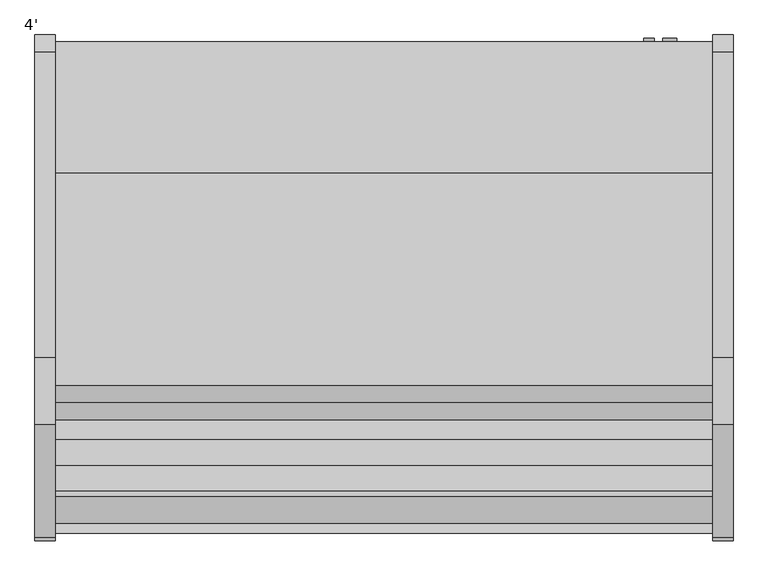
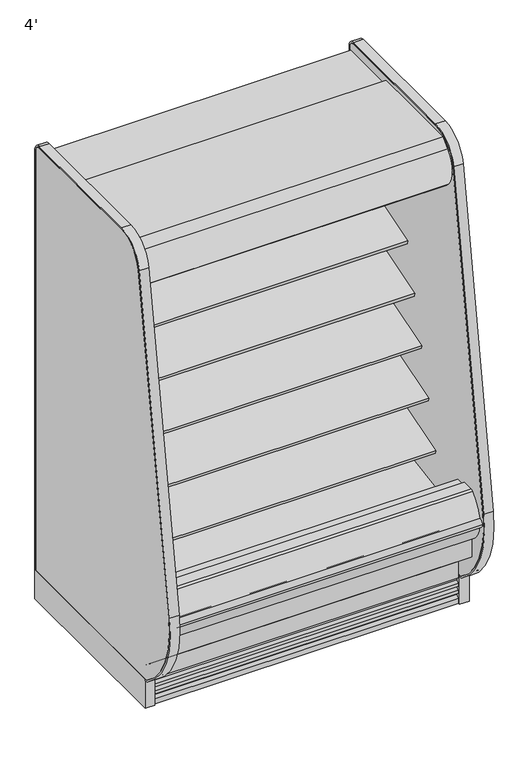
"""IFC4 building model written with IfcOpenShell, lengths in millimetres: proxy geometry, 4'."""

from ifc_helpers import new_model, si_unit, point, frame, frame_2d, origin, origin_with_axes, place, context, project, spatial, polyline, circle_curve, trimmed, segment, composite_curve, outline, extrude, source, transform, mapped, element, save
from ifc_brep_helpers import plane_surface, revolved_surface, advanced_brep


def proxy_4_0a60d884(model_context):
    return source(origin(), model_context, "Body", "SolidModel", [
        extrude(outline(composite_curve([segment(polyline([(-504.9331995, 1231.4784284), (-504.9331995, 1153.1939633), (-518.2051955, 1148.8882479)]), True, "CONTINUOUS"), segment(trimmed(circle_curve(frame_2d((-526.0433303, 1173.0486213)), 25.4), [point((-518.2051955, 1148.8882479))], [point((-535.5495316, 1149.4945954))], False, "CARTESIAN"), True, "CONTINUOUS"), segment(polyline([(-535.5495316, 1149.4945954), (-556.8449295, 1158.0892339)]), True, "CONTINUOUS"), segment(trimmed(circle_curve(frame_2d((-580.6104329, 1099.2041692)), 63.5), [point((-556.8449295, 1158.0892339))], [point((-591.4790956, 1161.7671149))], True, "CARTESIAN"), True, "CONTINUOUS"), segment(polyline([(-591.4790956, 1161.7671149), (-780.783108, 1128.6709714), (-783.2127521, 1131.5259116), (-840.8364756, 1113.9085713), (-844.9951707, 1127.5110502), (-504.9331995, 1231.4784284)]), True, "CONTINUOUS")], self_intersect=False)), frame((0.0, 0.0, 0.0), z_axis=(1.0, 0.0, 0.0), x_axis=(0.0, 1.0, 0.0)), (0.0, 0.0, 1.0), 1219.2),
        extrude(outline(composite_curve([segment(trimmed(circle_curve(frame_2d((-755.1213828, 1754.6817837)), 14.2875), [point((-740.8338828, 1754.6817837))], [point((-769.4088828, 1754.6817837))], False, "CARTESIAN"), True, "CONTINUOUS"), segment(trimmed(circle_curve(frame_2d((-755.1213828, 1754.6817837)), 14.2875), [point((-769.4088828, 1754.6817837))], [point((-740.8338828, 1754.6817837))], False, "CARTESIAN"), True, "CONTINUOUS")], self_intersect=False)), frame((0.0, 0.0, 0.0), z_axis=(1.0, 0.0, 0.0), x_axis=(0.0, 1.0, 0.0)), (0.0, 0.0, 1.0), 1219.2),
        extrude(outline(polyline([(-734.0000368, 1783.4480074), (-734.0000368, 1781.8605074), (-745.9062868, 1781.8605074), (-781.6250368, 1758.0480074), (-781.6250368, 1781.8605074), (-802.2625368, 1781.8605074), (-802.2625368, 1723.2826254), (-798.9859062, 1707.1532905), (-800.5416293, 1706.8372496), (-803.8500368, 1723.1230074), (-803.8500368, 1783.4480074), (-734.0000368, 1783.4480074)])), frame((0.0, 0.0, 0.0), z_axis=(1.0, 0.0, 0.0), x_axis=(0.0, 1.0, 0.0)), (0.0, 0.0, 1.0), 1219.2),
        extrude(outline(composite_curve([segment(polyline([(-645.2072918, 1887.6264001), (-951.9166873, 1887.6264001), (-951.9166873, 1837.4360001), (-910.7889599, 1837.4360001), (-910.7889599, 1751.481792), (-914.7191706, 1751.481792), (-957.9732964, 1778.3902586), (-1045.9679806, 1778.3902586), (-1051.3862085, 1749.0156271), (-1059.481178, 1742.4581239), (-1061.2400107, 1736.6057625), (-1066.37165, 1728.7312858)]), True, "CONTINUOUS"), segment(trimmed(circle_curve(frame_2d((-1071.317344, 1733.5755629)), 6.9229264), [point((-1066.37165, 1728.7312858))], [point((-1076.4850743, 1728.9688858))], False, "CARTESIAN"), True, "CONTINUOUS"), segment(trimmed(circle_curve(frame_2d((-997.6333247, 1799.2598126)), 105.6333886), [point((-1076.4850743, 1728.9688858))], [point((-1070.6777032, 1875.5679482))], False, "CARTESIAN"), True, "CONTINUOUS"), segment(trimmed(circle_curve(frame_2d((-1536.9601915, 2362.0700675)), 673.8721474), [point((-1070.6777032, 1875.5679482))], [point((-1038.8813513, 1908.174551))], True, "CARTESIAN"), True, "CONTINUOUS"), segment(polyline([(-1038.8813513, 1908.174551), (-645.2072918, 1908.174551), (-645.2072918, 1887.6264001)]), True, "CONTINUOUS")], self_intersect=False)), frame((0.0, 0.0, 0.0), z_axis=(1.0, 0.0, 0.0), x_axis=(0.0, 1.0, 0.0)), (0.0, 0.0, 1.0), 1219.2),
        extrude(outline(polyline([(174.853063, -1017.4589273), (481.100863, -1017.4589273), (481.100863, -1115.8839273), (174.853063, -1115.8839273), (174.853063, -1017.4589273)])), frame((0.0, 0.0, 7.2630602), z_axis=(0.0, 0.0, 1.0), x_axis=(1.0, 0.0, 0.0)), (0.0, 0.0, 1.0), 9.6482401),
        extrude(outline(composite_curve([segment(trimmed(circle_curve(frame_2d((1051.8428976, -1007.9339273)), 12.7), [point((1039.1428976, -1007.9339273))], [point((1064.5428976, -1007.9339273))], False, "CARTESIAN"), True, "CONTINUOUS"), segment(trimmed(circle_curve(frame_2d((1051.8428976, -1007.9339273)), 12.7), [point((1064.5428976, -1007.9339273))], [point((1039.1428976, -1007.9339273))], False, "CARTESIAN"), True, "CONTINUOUS")], self_intersect=False)), frame((0.0, 0.0, 71.1788852), z_axis=(0.0, 0.0, 1.0), x_axis=(1.0, 0.0, 0.0)), (0.0, 0.0, 1.0), 58.9961148),
        extrude(outline(composite_curve([segment(trimmed(circle_curve(frame_2d((999.5280532, -1007.9339273)), 9.525), [point((990.0030532, -1007.9339273))], [point((1009.0530532, -1007.9339273))], False, "CARTESIAN"), True, "CONTINUOUS"), segment(trimmed(circle_curve(frame_2d((999.5280532, -1007.9339273)), 9.525), [point((1009.0530532, -1007.9339273))], [point((990.0030532, -1007.9339273))], False, "CARTESIAN"), True, "CONTINUOUS")], self_intersect=False)), frame((0.0, 0.0, 71.1788852), z_axis=(0.0, 0.0, 1.0), x_axis=(1.0, 0.0, 0.0)), (0.0, 0.0, 1.0), 58.9961148),
        extrude(outline(composite_curve([segment(trimmed(circle_curve(frame_2d((609.6, -988.8839273)), 38.1), [point((571.5, -988.8839273))], [point((647.7, -988.8839273))], False, "CARTESIAN"), True, "CONTINUOUS"), segment(trimmed(circle_curve(frame_2d((609.6, -988.8839273)), 38.1), [point((647.7, -988.8839273))], [point((571.5, -988.8839273))], False, "CARTESIAN"), True, "CONTINUOUS")], self_intersect=False)), frame((0.0, 0.0, 71.1788852), z_axis=(0.0, 0.0, 1.0), x_axis=(1.0, 0.0, 0.0)), (0.0, 0.0, 1.0), 58.9961148),
        advanced_brep(
        [(1219.2, -1017.4589273, 130.175), (1219.2, -1087.7580824, 130.175), (1219.2, -1115.8839273, 152.8829537), (1219.2, -1115.8839273, 16.9113003), (1219.2, -1017.4589273, 16.9113003), (0.0, -1017.4589273, 130.175), (0.0, -1017.4589273, 16.9113003), (0.0, -1115.8839273, 16.9113003), (0.0, -1115.8839273, 152.8829537), (0.0, -1087.7580824, 130.175), (1075.4240418, -1017.4589273, 130.175), (975.6259582, -1017.4589273, 130.175), (651.6013021, -1017.4589273, 130.175), (567.5986979, -1017.4589273, 130.175), (567.5986979, -1017.4589273, 16.9113003), (651.6013021, -1017.4589273, 16.9113003), (975.6259582, -1017.4589273, 16.9113003), (1075.4240418, -1017.4589273, 16.9113003)],
        [
            (0, 1),
            (1, 2),
            (2, 3),
            (3, 4),
            (4, 0),
            (5, 6),
            (6, 7),
            (7, 8),
            (8, 9),
            (9, 5),
            (0, 10),
            (10, 11, circle_curve(frame((1025.525, -1007.9339273, 130.175), z_axis=(0.0, 0.0, -1.0), x_axis=(1.0, 0.0, 0.0)), 50.8)),
            (11, 12),
            (12, 13, circle_curve(frame((609.6, -988.8839273, 130.175), z_axis=(0.0, 0.0, -1.0), x_axis=(1.0, 0.0, 0.0)), 50.8)),
            (13, 5),
            (9, 1),
            (8, 2),
            (3, 7),
            (6, 14),
            (14, 15, circle_curve(frame((609.6, -988.8839273, 16.9113003), z_axis=(0.0, 0.0, 1.0), x_axis=(1.0, 0.0, 0.0)), 50.8)),
            (15, 16),
            (16, 17, circle_curve(frame((1025.525, -1007.9339273, 16.9113003), z_axis=(0.0, 0.0, 1.0), x_axis=(1.0, 0.0, 0.0)), 50.8)),
            (17, 4),
            (17, 10),
            (13, 14),
            (15, 12),
            (11, 16),
        ],
        [
            plane_surface(frame((1219.2, -1087.7580824, 130.175), z_axis=(1.0, 0.0, 0.0), x_axis=(0.0, -1.0, 0.0))),
            plane_surface(frame((0.0, -1087.7580824, 130.175), z_axis=(-1.0, 0.0, 0.0), x_axis=(0.0, 1.0, 0.0))),
            plane_surface(frame((1219.2, -1017.4589273, 130.175), z_axis=(0.0, 0.0, 1.0), x_axis=(-1.0, 0.0, 0.0))),
            plane_surface(frame((1219.2, -1087.7580824, 130.175), z_axis=(0.0, 0.628185164263753, 0.7780638787393499), x_axis=(-1.0, 0.0, 0.0))),
            plane_surface(frame((1219.2, -1115.8839273, 16.9113003), z_axis=(0.0, 0.0, -1.0), x_axis=(-1.0, 0.0, 0.0))),
            plane_surface(frame((1219.2, -1017.4589273, 16.9113003), z_axis=(0.0, 1.0, 0.0), x_axis=(-1.0, 0.0, 0.0))),
            revolved_surface(polyline([(660.4, -988.8839273, 130.175), (660.4, -988.8839273, 16.9113003)]), (609.6, -988.8839273, 0.0), (0.0, 0.0, 1.0)),
            revolved_surface(polyline([(1076.325, -1007.9339273, 130.175), (1076.325, -1007.9339273, 16.9113003)]), (1025.525, -1007.9339273, 0.0), (0.0, 0.0, 1.0)),
            plane_surface(frame((1219.2, -1115.8839273, 152.8829537), z_axis=(0.0, -1.0, 0.0), x_axis=(-1.0, 0.0, 0.0))),
        ],
        [
            (0, [[1, 2, 3, 4, 5]]),
            (1, [[6, 7, 8, 9, 10]]),
            (2, [[-1, 11, 12, 13, 14, 15, -10, 16]]),
            (3, [[-2, -16, -9, 17]]),
            (4, [[-4, 18, -7, 19, 20, 21, 22, 23]]),
            (5, [[-5, -23, 24, -11]]),
            (5, [[-6, -15, 25, -19]]),
            (5, [[26, -13, 27, -21]]),
            (6, [[-14, -26, -20, -25]]),
            (7, [[-12, -24, -22, -27]]),
            (8, [[-3, -17, -8, -18]]),
        ],
    ),
        advanced_brep(
        [(1219.2, -401.5089273, 0.0), (1219.2, -401.5089273, 130.175), (1219.2, -1017.4589273, 130.175), (1219.2, -1017.4589273, 0.0), (1219.2, -973.8344273, 0.0), (1219.2, -973.8344273, 74.8810382), (1219.2, -446.7209273, 74.8810382), (1219.2, -446.7209273, 0.0), (0.0, -401.5089273, 0.0), (0.0, -446.7209273, 0.0), (0.0, -446.7209273, 74.8810382), (0.0, -973.8344273, 74.8810382), (0.0, -973.8344273, 0.0), (0.0, -1017.4589273, 0.0), (0.0, -1017.4589273, 130.175), (0.0, -401.5089273, 130.175), (567.5986979, -1017.4589273, 130.175), (558.8, -988.8839273, 130.175), (660.4, -988.8839273, 130.175), (651.6013021, -1017.4589273, 130.175), (975.6259582, -1017.4589273, 130.175), (974.725, -1007.9339273, 130.175), (1076.325, -1007.9339273, 130.175), (1075.4240418, -1017.4589273, 130.175), (1075.4240418, -1017.4589273, 0.0), (567.5986979, -1017.4589273, 0.0), (651.6013021, -1017.4589273, 0.0), (975.6259582, -1017.4589273, 0.0), (1076.325, -1007.9339273, 0.0), (1063.1795362, -973.8344273, 0.0), (561.08039, -973.8344273, 0.0), (558.8, -988.8839273, 0.0), (660.4, -988.8839273, 0.0), (658.11961, -973.8344273, 0.0), (987.8704638, -973.8344273, 0.0), (974.725, -1007.9339273, 0.0), (1063.1795362, -973.8344273, 74.8810382), (561.08039, -973.8344273, 74.8810382), (658.11961, -973.8344273, 74.8810382), (987.8704638, -973.8344273, 74.8810382)],
        [
            (0, 1),
            (1, 2),
            (2, 3),
            (3, 4),
            (4, 5),
            (5, 6),
            (6, 7),
            (7, 0),
            (8, 9),
            (9, 10),
            (10, 11),
            (11, 12),
            (12, 13),
            (13, 14),
            (14, 15),
            (15, 8),
            (0, 8),
            (15, 1),
            (14, 16),
            (16, 17, circle_curve(frame((609.6, -988.8839273, 130.175), z_axis=(0.0, 0.0, -1.0), x_axis=(1.0, 0.0, 0.0)), 50.8)),
            (17, 18, circle_curve(frame((609.6, -988.8839273, 130.175), z_axis=(0.0, 0.0, -1.0), x_axis=(1.0, 0.0, 0.0)), 50.8)),
            (18, 19, circle_curve(frame((609.6, -988.8839273, 130.175), z_axis=(0.0, 0.0, -1.0), x_axis=(1.0, 0.0, 0.0)), 50.8)),
            (19, 20),
            (20, 21, circle_curve(frame((1025.525, -1007.9339273, 130.175), z_axis=(0.0, 0.0, -1.0), x_axis=(1.0, 0.0, 0.0)), 50.8)),
            (21, 22, circle_curve(frame((1025.525, -1007.9339273, 130.175), z_axis=(0.0, 0.0, -1.0), x_axis=(1.0, 0.0, 0.0)), 50.8)),
            (22, 23, circle_curve(frame((1025.525, -1007.9339273, 130.175), z_axis=(0.0, 0.0, -1.0), x_axis=(1.0, 0.0, 0.0)), 50.8)),
            (23, 2),
            (23, 24),
            (24, 3),
            (13, 25),
            (25, 16),
            (19, 26),
            (26, 27),
            (27, 20),
            (24, 28, circle_curve(frame((1025.525, -1007.9339273, 0.0), z_axis=(0.0, 0.0, 1.0), x_axis=(1.0, 0.0, 0.0)), 50.8)),
            (28, 29, circle_curve(frame((1025.525, -1007.9339273, 0.0), z_axis=(0.0, 0.0, 1.0), x_axis=(1.0, 0.0, 0.0)), 50.8)),
            (29, 4),
            (12, 30),
            (30, 31, circle_curve(frame((609.6, -988.8839273, 0.0), z_axis=(0.0, 0.0, 1.0), x_axis=(1.0, 0.0, 0.0)), 50.8)),
            (31, 25, circle_curve(frame((609.6, -988.8839273, 0.0), z_axis=(0.0, 0.0, 1.0), x_axis=(1.0, 0.0, 0.0)), 50.8)),
            (26, 32, circle_curve(frame((609.6, -988.8839273, 0.0), z_axis=(0.0, 0.0, 1.0), x_axis=(1.0, 0.0, 0.0)), 50.8)),
            (32, 33, circle_curve(frame((609.6, -988.8839273, 0.0), z_axis=(0.0, 0.0, 1.0), x_axis=(1.0, 0.0, 0.0)), 50.8)),
            (33, 34),
            (34, 35, circle_curve(frame((1025.525, -1007.9339273, 0.0), z_axis=(0.0, 0.0, 1.0), x_axis=(1.0, 0.0, 0.0)), 50.8)),
            (35, 27, circle_curve(frame((1025.525, -1007.9339273, 0.0), z_axis=(0.0, 0.0, 1.0), x_axis=(1.0, 0.0, 0.0)), 50.8)),
            (29, 36),
            (36, 5),
            (11, 37),
            (37, 30),
            (33, 38),
            (38, 39),
            (39, 34),
            (36, 39, circle_curve(frame((1025.525, -1007.9339273, 74.8810382), z_axis=(0.0, 0.0, 1.0), x_axis=(1.0, 0.0, 0.0)), 50.8)),
            (38, 37, circle_curve(frame((609.6, -988.8839273, 74.8810382), z_axis=(0.0, 0.0, 1.0), x_axis=(1.0, 0.0, 0.0)), 50.8)),
            (10, 6),
            (9, 7),
            (18, 32),
            (31, 17),
            (22, 28),
            (35, 21),
        ],
        [
            plane_surface(frame((1219.2, -401.5089273, 1893.5715584), z_axis=(1.0, 0.0, 0.0), x_axis=(0.0, 0.0, 1.0))),
            plane_surface(frame((0.0, -401.5089273, 1893.5715584), z_axis=(-1.0, 0.0, 0.0), x_axis=(0.0, 0.0, -1.0))),
            plane_surface(frame((1219.2, -401.5089273, 0.0), z_axis=(0.0, 1.0, 0.0), x_axis=(-1.0, 0.0, 0.0))),
            plane_surface(frame((1219.2, -401.5089273, 130.175), z_axis=(0.0, 0.0, 1.0), x_axis=(-1.0, 0.0, 0.0))),
            plane_surface(frame((1219.2, -1017.4589273, 130.175), z_axis=(0.0, -1.0, 0.0), x_axis=(-1.0, 0.0, 0.0))),
            plane_surface(frame((1219.2, -1017.4589273, 0.0), z_axis=(0.0, 0.0, -1.0), x_axis=(-1.0, 0.0, 0.0))),
            plane_surface(frame((1219.2, -973.8344273, 0.0), z_axis=(0.0, 1.0, 0.0), x_axis=(-1.0, 0.0, 0.0))),
            plane_surface(frame((1219.2, -973.8344273, 74.8810382), z_axis=(0.0, 0.0, -1.0), x_axis=(-1.0, 0.0, 0.0))),
            plane_surface(frame((1219.2, -446.7209273, 74.8810382), z_axis=(0.0, -1.0, 0.0), x_axis=(-1.0, 0.0, 0.0))),
            plane_surface(frame((1219.2, -446.7209273, 0.0), z_axis=(0.0, 0.0, -1.0), x_axis=(-1.0, 0.0, 0.0))),
            revolved_surface(polyline([(660.4, -988.8839273, 130.175), (660.4, -988.8839273, 0.0)]), (609.6, -988.8839273, 0.0), (0.0, 0.0, 1.0)),
            revolved_surface(polyline([(1076.325, -1007.9339273, 130.175), (1076.325, -1007.9339273, 0.0)]), (1025.525, -1007.9339273, 0.0), (0.0, 0.0, 1.0)),
        ],
        [
            (0, [[1, 2, 3, 4, 5, 6, 7, 8]]),
            (1, [[9, 10, 11, 12, 13, 14, 15, 16]]),
            (2, [[-1, 17, -16, 18]]),
            (3, [[-2, -18, -15, 19, 20, 21, 22, 23, 24, 25, 26, 27]]),
            (4, [[-3, -27, 28, 29]]),
            (4, [[-14, 30, 31, -19]]),
            (4, [[32, 33, 34, -23]]),
            (5, [[-4, -29, 35, 36, 37]]),
            (5, [[-13, 38, 39, 40, -30]]),
            (5, [[41, 42, 43, 44, 45, -33]]),
            (6, [[-5, -37, 46, 47]]),
            (6, [[-12, 48, 49, -38]]),
            (6, [[50, 51, 52, -43]]),
            (7, [[-6, -47, 53, -51, 54, -48, -11, 55]]),
            (8, [[-7, -55, -10, 56]]),
            (9, [[-8, -56, -9, -17]]),
            (10, [[57, -41, -32, -22]]),
            (10, [[58, -20, -31, -40]]),
            (10, [[-57, -21, -58, -39, -49, -54, -50, -42]]),
            (11, [[59, -35, -28, -26]]),
            (11, [[60, -24, -34, -45]]),
            (11, [[-59, -25, -60, -44, -52, -53, -46, -36]]),
        ],
    ),
        extrude(outline(composite_curve([segment(polyline([(-504.9331995, 698.5637759), (-504.9331995, 620.2793108), (-518.2051955, 615.9735953)]), True, "CONTINUOUS"), segment(trimmed(circle_curve(frame_2d((-526.0433303, 640.1339687)), 25.4), [point((-518.2051955, 615.9735953))], [point((-535.5495316, 616.5799428))], False, "CARTESIAN"), True, "CONTINUOUS"), segment(polyline([(-535.5495316, 616.5799428), (-558.3357517, 627.7682995)]), True, "CONTINUOUS"), segment(trimmed(circle_curve(frame_2d((-569.7928058, 604.43485)), 25.9944985), [point((-558.3357517, 627.7682995))], [point((-574.7613155, 629.9500977))], True, "CARTESIAN"), True, "CONTINUOUS"), segment(polyline([(-574.7613155, 629.9500977), (-831.3116554, 579.9927985), (-834.3085598, 582.9897029), (-986.5773204, 536.436471), (-990.7360155, 550.0389499), (-504.9331995, 698.5637759)]), True, "CONTINUOUS")], self_intersect=False)), frame((0.0, 0.0, 0.0), z_axis=(1.0, 0.0, 0.0), x_axis=(0.0, 1.0, 0.0)), (0.0, 0.0, 1.0), 1219.2),
        extrude(outline(composite_curve([segment(polyline([(-504.9331995, 876.3637759), (-504.9331995, 798.0793108), (-518.2051955, 793.7735953)]), True, "CONTINUOUS"), segment(trimmed(circle_curve(frame_2d((-526.0433303, 817.9339687)), 25.4), [point((-518.2051955, 793.7735953))], [point((-535.5495316, 794.3799428))], False, "CARTESIAN"), True, "CONTINUOUS"), segment(polyline([(-535.5495316, 794.3799428), (-556.8449295, 802.9745814)]), True, "CONTINUOUS"), segment(trimmed(circle_curve(frame_2d((-580.6104329, 744.0895166)), 63.5), [point((-556.8449295, 802.9745814))], [point((-591.4790956, 806.6524623))], True, "CARTESIAN"), True, "CONTINUOUS"), segment(polyline([(-591.4790956, 806.6524623), (-780.783108, 773.5563188), (-783.2127521, 776.4112591), (-937.9970388, 729.0889536), (-942.1557339, 742.6914325), (-504.9331995, 876.3637759)]), True, "CONTINUOUS")], self_intersect=False)), frame((0.0, 0.0, 0.0), z_axis=(1.0, 0.0, 0.0), x_axis=(0.0, 1.0, 0.0)), (0.0, 0.0, 1.0), 1219.2),
        extrude(outline(composite_curve([segment(polyline([(-504.9331995, 1054.1637759), (-504.9331995, 975.8793108), (-518.2051955, 971.5735953)]), True, "CONTINUOUS"), segment(trimmed(circle_curve(frame_2d((-526.0433303, 995.7339687)), 25.4), [point((-518.2051955, 971.5735953))], [point((-535.5495316, 972.1799428))], False, "CARTESIAN"), True, "CONTINUOUS"), segment(polyline([(-535.5495316, 972.1799428), (-556.8449295, 980.7745814)]), True, "CONTINUOUS"), segment(trimmed(circle_curve(frame_2d((-580.6104329, 921.8895166)), 63.5), [point((-556.8449295, 980.7745814))], [point((-591.4790956, 984.4524623))], True, "CARTESIAN"), True, "CONTINUOUS"), segment(polyline([(-591.4790956, 984.4524623), (-780.783108, 951.3563188), (-783.2127521, 954.2112591), (-889.4167572, 921.7414362), (-893.5754523, 935.3439151), (-504.9331995, 1054.1637759)]), True, "CONTINUOUS")], self_intersect=False)), frame((0.0, 0.0, 0.0), z_axis=(1.0, 0.0, 0.0), x_axis=(0.0, 1.0, 0.0)), (0.0, 0.0, 1.0), 1219.2),
        extrude(outline(composite_curve([segment(trimmed(circle_curve(frame_2d((317.5, 1139.6090336)), 12.7), [point((317.5, 1152.3090336))], [point((317.5, 1126.9090336))], False, "CARTESIAN"), True, "CONTINUOUS"), segment(trimmed(circle_curve(frame_2d((317.5, 1139.6090336)), 12.7), [point((317.5, 1126.9090336))], [point((317.5, 1152.3090336))], False, "CARTESIAN"), True, "CONTINUOUS")], self_intersect=False)), frame((0.0, -447.5561252, 0.0), z_axis=(0.0, 1.0, 0.0), x_axis=(0.0, 0.0, 1.0)), (0.0, 0.0, 1.0), 52.3971979),
        extrude(outline(composite_curve([segment(trimmed(circle_curve(frame_2d((317.5, 1101.1972115)), 9.525), [point((317.5, 1110.7222115))], [point((317.5, 1091.6722115))], False, "CARTESIAN"), True, "CONTINUOUS"), segment(trimmed(circle_curve(frame_2d((317.5, 1101.1972115)), 9.525), [point((317.5, 1091.6722115))], [point((317.5, 1110.7222115))], False, "CARTESIAN"), True, "CONTINUOUS")], self_intersect=False)), frame((0.0, -447.5561252, 0.0), z_axis=(0.0, 1.0, 0.0), x_axis=(0.0, 0.0, 1.0)), (0.0, 0.0, 1.0), 52.3971979),
        extrude(outline(composite_curve([segment(polyline([(-451.7851762, 1837.4360001), (-451.7851762, 404.745884), (-504.9331995, 404.745884), (-504.9331995, 1758.0415628)]), True, "CONTINUOUS"), segment(trimmed(circle_curve(frame_2d((-530.3331995, 1758.0415628)), 25.4), [point((-504.9331995, 1758.0415628))], [point((-530.3331995, 1783.4415628))], True, "CARTESIAN"), True, "CONTINUOUS"), segment(polyline([(-530.3331995, 1783.4415628), (-809.1889611, 1783.4415628), (-809.1889611, 1776.8817932), (-910.7889599, 1776.8817932), (-910.7889599, 1837.4360001), (-451.7851762, 1837.4360001)]), True, "CONTINUOUS")], self_intersect=False)), frame((0.0, 0.0, 0.0), z_axis=(1.0, 0.0, 0.0), x_axis=(0.0, 1.0, 0.0)), (0.0, 0.0, 1.0), 1219.2),
        advanced_brep(
        [(1219.2, -1087.7580824, 130.175), (1219.2, -401.5089273, 130.175), (1219.2, -401.5089273, 1887.6264001), (1219.2, -951.9166873, 1887.6264001), (1219.2, -951.9166873, 1837.4360001), (1219.2, -451.7851762, 1837.4360001), (1219.2, -451.7851762, 220.9153254), (1219.2, -907.4980548, 192.4688739), (1219.2, -953.7315308, 153.8351049), (1219.2, -1018.2338414, 151.5826346), (1219.2, -1069.8475697, 188.921294), (1219.2, -1084.4521206, 188.4112919), (1219.2, -1191.9593872, 278.6205996), (1219.2, -1191.9593872, 391.24255), (1219.2, -1241.4639874, 391.24255), (1219.2, -1241.4639874, 254.2724833), (0.0, -1087.7580824, 130.175), (0.0, -1241.4639874, 254.2724833), (0.0, -1241.4639874, 391.24255), (0.0, -1191.9593872, 391.24255), (0.0, -1191.9593872, 278.6205996), (0.0, -1084.4521206, 188.4112919), (0.0, -1069.8475697, 188.921294), (0.0, -1018.2338414, 151.5826346), (0.0, -953.7315308, 153.8351049), (0.0, -907.4980548, 192.4688739), (0.0, -451.7851762, 220.9153254), (0.0, -451.7851762, 1837.4360001), (0.0, -951.9166873, 1837.4360001), (0.0, -951.9166873, 1887.6264001), (0.0, -401.5089273, 1887.6264001), (0.0, -401.5089273, 130.175), (1117.6, -447.5561252, 266.7), (1117.6, -447.5561252, 368.3), (1117.6, -401.5089273, 368.3), (1117.6, -401.5089273, 266.7)],
        [
            (0, 1),
            (1, 2),
            (2, 3),
            (3, 4),
            (4, 5),
            (5, 6),
            (6, 7),
            (7, 8),
            (8, 9),
            (9, 10),
            (10, 11),
            (11, 12),
            (12, 13),
            (13, 14),
            (14, 15),
            (15, 0),
            (16, 17),
            (17, 18),
            (18, 19),
            (19, 20),
            (20, 21),
            (21, 22),
            (22, 23),
            (23, 24),
            (24, 25),
            (25, 26),
            (26, 27),
            (27, 28),
            (28, 29),
            (29, 30),
            (30, 31),
            (31, 16),
            (32, 33, circle_curve(frame((1117.6, -447.5561252, 317.5), z_axis=(0.0, 1.0, 0.0), x_axis=(0.0, 0.0, 1.0)), 50.8)),
            (33, 32, circle_curve(frame((1117.6, -447.5561252, 317.5), z_axis=(0.0, 1.0, 0.0), x_axis=(0.0, 0.0, 1.0)), 50.8)),
            (33, 34),
            (34, 35, circle_curve(frame((1117.6, -401.5089273, 317.5), z_axis=(0.0, 1.0, 0.0), x_axis=(0.0, 0.0, 1.0)), 50.8)),
            (35, 32),
            (35, 34, circle_curve(frame((1117.6, -401.5089273, 317.5), z_axis=(0.0, 1.0, 0.0), x_axis=(0.0, 0.0, 1.0)), 50.8)),
            (0, 16),
            (31, 1),
            (30, 2),
            (29, 3),
            (28, 4),
            (27, 5),
            (26, 6),
            (25, 7),
            (12, 20),
            (19, 13),
            (18, 14),
            (17, 15),
            (24, 8),
            (23, 9),
            (22, 10),
            (21, 11),
        ],
        [
            plane_surface(frame((1219.2, -401.5089273, 130.175), z_axis=(1.0, 0.0, 0.0), x_axis=(0.0, 1.0, 0.0))),
            plane_surface(frame((0.0, -401.5089273, 130.175), z_axis=(-1.0, 0.0, 0.0), x_axis=(0.0, -1.0, 0.0))),
            plane_surface(frame((1117.6, -447.5561252, 368.3), z_axis=(0.0, 1.0, 0.0), x_axis=(-1.0, 0.0, 0.0))),
            revolved_surface(polyline([(1117.6, -447.5561252, 368.3), (1117.6, -401.5089273, 368.3)]), (1117.6, -401.5089273, 317.5), (0.0, -1.0, 0.0)),
            plane_surface(frame((1219.2, -1087.7580824, 130.175), z_axis=(0.0, 0.0, -1.0), x_axis=(-1.0, 0.0, 0.0))),
            plane_surface(frame((1219.2, -401.5089273, 130.175), z_axis=(0.0, 1.0, 0.0), x_axis=(-1.0, 0.0, 0.0))),
            plane_surface(frame((1219.2, -401.5089273, 1887.6264001), z_axis=(0.0, 0.0, 1.0), x_axis=(-1.0, 0.0, 0.0))),
            plane_surface(frame((1219.2, -951.9166873, 1887.6264001), z_axis=(0.0, -1.0, 0.0), x_axis=(-1.0, 0.0, 0.0))),
            plane_surface(frame((1219.2, -951.9166873, 1837.4360001), z_axis=(0.0, 0.0, -1.0), x_axis=(-1.0, 0.0, 0.0))),
            plane_surface(frame((1219.2, -451.7851762, 1837.4360001), z_axis=(0.0, -1.0, 0.0), x_axis=(-1.0, 0.0, 0.0))),
            plane_surface(frame((1219.2, -451.7851762, 220.9153254), z_axis=(0.0, -0.06230061419367981, 0.9980574299463385), x_axis=(-1.0, 0.0, 0.0))),
            plane_surface(frame((1219.2, -1191.9593872, 278.6205996), z_axis=(0.0, 1.0, 0.0), x_axis=(-1.0, 0.0, 0.0))),
            plane_surface(frame((1219.2, -1191.9593872, 391.24255), z_axis=(0.0, 0.0, 1.0), x_axis=(-1.0, 0.0, 0.0))),
            plane_surface(frame((1219.2, -1241.4639874, 391.24255), z_axis=(0.0, -1.0, 0.0), x_axis=(-1.0, 0.0, 0.0))),
            plane_surface(frame((1219.2, -1241.4639874, 254.2724833), z_axis=(0.0, -0.628185164263745, -0.7780638787393563), x_axis=(-1.0, 0.0, 0.0))),
            plane_surface(frame((1219.2, -907.4980548, 192.4688739), z_axis=(0.0, -0.6412208566385623, 0.7673563794037999), x_axis=(-1.0, 0.0, 0.0))),
            plane_surface(frame((1219.2, -953.7315308, 153.8351049), z_axis=(0.0, -0.03489949670243331, 0.9993908270190981), x_axis=(-1.0, 0.0, 0.0))),
            plane_surface(frame((1219.2, -1018.2338414, 151.5826346), z_axis=(0.0, 0.5861307997256778, 0.810216443682142), x_axis=(-1.0, 0.0, 0.0))),
            plane_surface(frame((1219.2, -1069.8475697, 188.921294), z_axis=(0.0, -0.03489949670351323, 0.9993908270190605), x_axis=(-1.0, 0.0, 0.0))),
            plane_surface(frame((1219.2, -1084.4521206, 188.4112919), z_axis=(0.0, 0.6427876096870777, 0.7660444431185264), x_axis=(-1.0, 0.0, 0.0))),
        ],
        [
            (0, [[1, 2, 3, 4, 5, 6, 7, 8, 9, 10, 11, 12, 13, 14, 15, 16]]),
            (1, [[17, 18, 19, 20, 21, 22, 23, 24, 25, 26, 27, 28, 29, 30, 31, 32]]),
            (2, [[33, 34]]),
            (3, [[-34, 35, 36, 37]]),
            (3, [[-33, -37, 38, -35]]),
            (4, [[-1, 39, -32, 40]]),
            (5, [[-2, -40, -31, 41], [-36, -38]]),
            (6, [[-3, -41, -30, 42]]),
            (7, [[-4, -42, -29, 43]]),
            (8, [[-5, -43, -28, 44]]),
            (9, [[-6, -44, -27, 45]]),
            (10, [[-7, -45, -26, 46]]),
            (11, [[-13, 47, -20, 48]]),
            (12, [[-14, -48, -19, 49]]),
            (13, [[-15, -49, -18, 50]]),
            (14, [[-16, -50, -17, -39]]),
            (15, [[-8, -46, -25, 51]]),
            (16, [[-9, -51, -24, 52]]),
            (17, [[-10, -52, -23, 53]]),
            (18, [[-11, -53, -22, 54]]),
            (19, [[-12, -54, -21, -47]]),
        ],
    ),
        extrude(outline(composite_curve([segment(polyline([(-1139.9331995, 376.9165628), (-1088.1875931, 376.9165628), (-1084.249805, 378.3216284), (-610.6406734, 456.5929299), (-610.1926758, 450.1862651), (-516.7472923, 456.7206028)]), True, "CONTINUOUS"), segment(trimmed(circle_curve(frame_2d((-517.6331995, 469.3896663)), 12.7), [point((-516.7472923, 456.7206028))], [point((-504.9331995, 469.3896663))], True, "CARTESIAN"), True, "CONTINUOUS"), segment(polyline([(-504.9331995, 469.3896663), (-504.9331995, 404.745884), (-451.7851762, 404.745884), (-451.7851762, 220.9153254), (-907.4980548, 192.4688739), (-953.7315308, 153.8351049), (-1018.2338414, 151.5826346), (-1069.8475697, 188.921294), (-1084.4521206, 188.4112919), (-1191.9593872, 278.6205996), (-1191.9593872, 521.2079999), (-1139.9331995, 521.2079999), (-1139.9331995, 376.9165628)]), True, "CONTINUOUS")], self_intersect=False)), frame((0.0, 0.0, 0.0), z_axis=(1.0, 0.0, 0.0), x_axis=(0.0, 1.0, 0.0)), (0.0, 0.0, 1.0), 1219.2),
        extrude(outline(polyline([(1219.2, -809.1889611), (1219.2, -910.7889599), (0.0, -910.7889599), (0.0, -809.1889611), (1219.2, -809.1889611)])), frame((0.0, 0.0, 1751.481792), z_axis=(0.0, 0.0, 1.0), x_axis=(1.0, 0.0, 0.0)), (0.0, 0.0, 1.0), 25.4000011),
        extrude(outline(composite_curve([segment(trimmed(circle_curve(frame_2d((-1019.8653186, 1751.3133542)), 14.2875), [point((-1034.1528186, 1751.3133542))], [point((-1005.5778186, 1751.3133542))], False, "CARTESIAN"), True, "CONTINUOUS"), segment(trimmed(circle_curve(frame_2d((-1019.8653186, 1751.3133542)), 14.2875), [point((-1005.5778186, 1751.3133542))], [point((-1034.1528186, 1751.3133542))], False, "CARTESIAN"), True, "CONTINUOUS")], self_intersect=False)), frame((0.0, 0.0, 0.0), z_axis=(1.0, 0.0, 0.0), x_axis=(0.0, 1.0, 0.0)), (0.0, 0.0, 1.0), 1219.2),
        extrude(outline(composite_curve([segment(trimmed(circle_curve(frame_2d((-976.1825309, 1751.3133542)), 14.2875), [point((-990.4700309, 1751.3133542))], [point((-961.8950309, 1751.3133542))], False, "CARTESIAN"), True, "CONTINUOUS"), segment(trimmed(circle_curve(frame_2d((-976.1825309, 1751.3133542)), 14.2875), [point((-961.8950309, 1751.3133542))], [point((-990.4700309, 1751.3133542))], False, "CARTESIAN"), True, "CONTINUOUS")], self_intersect=False)), frame((0.0, 0.0, 0.0), z_axis=(1.0, 0.0, 0.0), x_axis=(0.0, 1.0, 0.0)), (0.0, 0.0, 1.0), 1219.2),
        extrude(outline(polyline([(-524.5538195, 1504.4404382), (-699.0292362, 1749.045951), (-692.6360518, 1751.0180598), (-519.384186, 1508.127902), (-524.5538195, 1504.4404382)])), frame((0.0, 0.0, 0.0), z_axis=(1.0, 0.0, 0.0), x_axis=(0.0, 1.0, 0.0)), (0.0, 0.0, 1.0), 1219.2),
        extrude(outline(composite_curve([segment(polyline([(-504.9331995, 1528.8244166), (-504.9331995, 1490.7251669)]), True, "CONTINUOUS"), segment(trimmed(circle_curve(frame_2d((-507.7906995, 1490.7251669)), 2.8575), [point((-504.9331995, 1490.7251669))], [point((-506.6741853, 1488.0948242))], False, "CARTESIAN"), True, "CONTINUOUS"), segment(polyline([(-506.6741853, 1488.0948242), (-515.7704668, 1484.2336819)]), True, "CONTINUOUS"), segment(trimmed(circle_curve(frame_2d((-516.8869809, 1486.8640245)), 2.8575), [point((-515.7704668, 1484.2336819))], [point((-519.4330321, 1485.5667466))], False, "CARTESIAN"), True, "CONTINUOUS"), segment(polyline([(-519.4330321, 1485.5667466), (-527.3608411, 1501.125948)]), True, "CONTINUOUS"), segment(trimmed(circle_curve(frame_2d((-526.2292629, 1501.7025159)), 1.27), [point((-527.3608411, 1501.125948))], [point((-526.8058308, 1502.8340942))], False, "CARTESIAN"), True, "CONTINUOUS"), segment(polyline([(-526.8058308, 1502.8340942), (-519.384186, 1508.127902), (-507.5996446, 1491.6065843), (-506.2031995, 1490.7251669), (-506.2031995, 1528.8244166), (-504.9331995, 1528.8244166)]), True, "CONTINUOUS")], self_intersect=False)), frame((0.0, 0.0, 0.0), z_axis=(1.0, 0.0, 0.0), x_axis=(0.0, 1.0, 0.0)), (0.0, 0.0, 1.0), 1219.2),
        extrude(outline(composite_curve([segment(polyline([(-697.0188534, 1757.162521), (-692.6360518, 1751.0180598), (-701.6311946, 1748.2433237)]), True, "CONTINUOUS"), segment(trimmed(circle_curve(frame_2d((-702.2914708, 1750.3838079)), 2.2400083), [point((-701.6311946, 1748.2433237))], [point((-703.4764456, 1748.4828943))], False, "CARTESIAN"), True, "CONTINUOUS"), segment(polyline([(-703.4764456, 1748.4828943), (-727.5060675, 1782.1711818), (-733.570953, 1782.1711818), (-733.570953, 1783.4411818), (-727.5060675, 1783.4411818)]), True, "CONTINUOUS"), segment(trimmed(circle_curve(frame_2d((-727.5060675, 1782.1711818)), 1.27), [point((-727.5060675, 1783.4411818))], [point((-726.4721408, 1782.9086746))], False, "CARTESIAN"), True, "CONTINUOUS"), segment(polyline([(-726.4721408, 1782.9086746), (-714.3244423, 1765.8782294), (-704.636549, 1772.7885365)]), True, "CONTINUOUS"), segment(trimmed(circle_curve(frame_2d((-703.8990563, 1771.7546097)), 1.27), [point((-704.636549, 1772.7885365))], [point((-702.8651296, 1772.4921025))], False, "CARTESIAN"), True, "CONTINUOUS"), segment(polyline([(-702.8651296, 1772.4921025), (-693.6464701, 1759.5680186), (-697.0188534, 1757.162521)]), True, "CONTINUOUS")], self_intersect=False)), frame((0.0, 0.0, 0.0), z_axis=(1.0, 0.0, 0.0), x_axis=(0.0, 1.0, 0.0)), (0.0, 0.0, 1.0), 1219.2),
        extrude(outline(composite_curve([segment(polyline([(-504.9331995, 1409.2784284), (-504.9331995, 1330.5086159), (-518.2051955, 1326.2029004)]), True, "CONTINUOUS"), segment(trimmed(circle_curve(frame_2d((-526.0433303, 1350.3632738)), 25.4), [point((-518.2051955, 1326.2029004))], [point((-535.5495316, 1326.8092479))], False, "CARTESIAN"), True, "CONTINUOUS"), segment(polyline([(-535.5495316, 1326.8092479), (-556.8449295, 1335.4038865)]), True, "CONTINUOUS"), segment(trimmed(circle_curve(frame_2d((-580.6104329, 1276.5188217)), 63.5), [point((-556.8449295, 1335.4038865))], [point((-591.4790956, 1339.0817674))], True, "CARTESIAN"), True, "CONTINUOUS"), segment(polyline([(-591.4790956, 1339.0817674), (-731.8999615, 1314.8919145), (-738.7354966, 1322.9239732), (-792.256194, 1306.5610539), (-796.4148891, 1320.1635328), (-504.9331995, 1409.2784284)]), True, "CONTINUOUS")], self_intersect=False)), frame((0.0, 0.0, 0.0), z_axis=(1.0, 0.0, 0.0), x_axis=(0.0, 1.0, 0.0)), (0.0, 0.0, 1.0), 1219.2),
        extrude(outline(composite_curve([segment(trimmed(circle_curve(frame_2d((-1295.4698501, 431.8)), 17.2640772), [point((-1312.7339273, 431.8))], [point((-1278.2057729, 431.8))], False, "CARTESIAN"), True, "CONTINUOUS"), segment(trimmed(circle_curve(frame_2d((-1295.4698501, 431.8)), 17.2640772), [point((-1278.2057729, 431.8))], [point((-1312.7339273, 431.8))], False, "CARTESIAN"), True, "CONTINUOUS")], self_intersect=False)), frame((0.0, 0.0, 0.0), z_axis=(1.0, 0.0, 0.0), x_axis=(0.0, 1.0, 0.0)), (0.0, 0.0, 1.0), 1219.2),
        extrude(outline(composite_curve([segment(polyline([(-1188.2747913, 521.2079999), (-1191.9593872, 521.2079999), (-1191.9593872, 391.24255), (-1241.4639874, 391.24255), (-1241.4639874, 350.0194213), (-1265.9341168, 350.0194213)]), True, "CONTINUOUS"), segment(trimmed(circle_curve(frame_2d((-1170.707609, 434.0486555)), 126.9999999), [point((-1265.9341168, 350.0194213))], [point((-1296.202068, 414.5514575))], False, "CARTESIAN"), True, "CONTINUOUS"), segment(trimmed(circle_curve(frame_2d((-1295.4698501, 431.8)), 17.2640772), [point((-1296.202068, 414.5514575))], [point((-1278.2057729, 431.8))], True, "CARTESIAN"), True, "CONTINUOUS"), segment(trimmed(circle_curve(frame_2d((-1295.4698501, 431.8)), 17.2640772), [point((-1278.2057729, 431.8))], [point((-1295.2903371, 449.0631439))], True, "CARTESIAN"), True, "CONTINUOUS"), segment(trimmed(circle_curve(frame_2d((-1123.8462796, 402.089233)), 177.7628003), [point((-1295.2903371, 449.0631439))], [point((-1244.6289384, 532.5160803))], False, "CARTESIAN"), True, "CONTINUOUS"), segment(trimmed(circle_curve(frame_2d((-1233.7721419, 520.7923962)), 15.9785731), [point((-1244.6289384, 532.5160803))], [point((-1233.8677913, 536.770683))], False, "CARTESIAN"), True, "CONTINUOUS"), segment(polyline([(-1233.8677913, 536.770683), (-1188.2747913, 536.770683), (-1188.2747913, 521.2079999)]), True, "CONTINUOUS")], self_intersect=False)), frame((0.0, 0.0, 0.0), z_axis=(1.0, 0.0, 0.0), x_axis=(0.0, 1.0, 0.0)), (0.0, 0.0, 1.0), 1219.2),
        extrude(outline(composite_curve([segment(polyline([(-1115.8839273, 152.8829537), (-1115.8839273, 0.0), (-1147.6339273, 0.0), (-1147.6339273, 21.669938)]), True, "CONTINUOUS"), segment(trimmed(circle_curve(frame_2d((-1148.3535668, 35.0997821)), 13.4491113), [point((-1147.6339273, 21.669938))], [point((-1135.5236279, 31.0660168))], True, "CARTESIAN"), True, "CONTINUOUS"), segment(polyline([(-1135.5236279, 31.0660168), (-1133.2133599, 40.2067021), (-1145.1701446, 40.2067021), (-1145.1701446, 52.9067021)]), True, "CONTINUOUS"), segment(trimmed(circle_curve(frame_2d((-1149.5880124, 66.4088493)), 14.2065314), [point((-1145.1701446, 52.9067021))], [point((-1136.0281464, 62.1714479))], True, "CARTESIAN"), True, "CONTINUOUS"), segment(polyline([(-1136.0281464, 62.1714479), (-1133.2133599, 71.1788852), (-1145.1701446, 71.1788852), (-1145.1701446, 83.8788852)]), True, "CONTINUOUS"), segment(trimmed(circle_curve(frame_2d((-1149.6603877, 97.4524489)), 14.2969897), [point((-1145.1701446, 83.8788852))], [point((-1136.0281464, 93.143631))], True, "CARTESIAN"), True, "CONTINUOUS"), segment(polyline([(-1136.0281464, 93.143631), (-1132.5390493, 104.1824391), (-1132.5390493, 107.8329403), (-1145.4066893, 107.8329403), (-1145.4066893, 176.7187358), (-1115.8839273, 152.8829537)]), True, "CONTINUOUS")], self_intersect=False)), frame((0.0, 0.0, 0.0), z_axis=(1.0, 0.0, 0.0), x_axis=(0.0, 1.0, 0.0)), (0.0, 0.0, 1.0), 1219.2),
        extrude(outline(composite_curve([segment(polyline([(-987.339716, 1924.84248), (-420.5589273, 1924.84248)]), True, "CONTINUOUS"), segment(trimmed(circle_curve(frame_2d((-420.5589273, 1899.44248)), 25.4), [point((-420.5589273, 1924.84248))], [point((-395.1589273, 1899.44248))], False, "CARTESIAN"), True, "CONTINUOUS"), segment(polyline([(-395.1589273, 1899.44248), (-395.1589273, 123.825), (-1163.7666142, 123.825)]), True, "CONTINUOUS"), segment(trimmed(circle_curve(frame_2d((-963.0548561, 419.7457292)), 357.5671795), [point((-1163.7666142, 123.825))], [point((-1315.3485172, 480.9295848))], False, "CARTESIAN"), True, "CONTINUOUS"), segment(polyline([(-1315.3485172, 480.9295848), (-1106.2103301, 1824.8370822)]), True, "CONTINUOUS"), segment(trimmed(circle_curve(frame_2d((-987.339716, 1804.19248)), 120.65), [point((-1106.2103301, 1824.8370822))], [point((-987.339716, 1924.84248))], False, "CARTESIAN"), True, "CONTINUOUS")], self_intersect=False)), frame((-38.1, 0.0, 0.0), z_axis=(1.0, 0.0, 0.0), x_axis=(0.0, 1.0, 0.0)), (0.0, 0.0, 1.0), 38.1),
        extrude(outline(composite_curve([segment(trimmed(circle_curve(frame_2d((-420.5589273, 1899.44248)), 31.75), [point((-420.5589273, 1931.19248))], [point((-388.8089273, 1899.44248))], False, "CARTESIAN"), True, "CONTINUOUS"), segment(polyline([(-388.8089273, 1899.44248), (-388.8089273, 123.825), (-395.1589273, 123.825), (-395.1589273, 1899.44248)]), True, "CONTINUOUS"), segment(trimmed(circle_curve(frame_2d((-420.5589273, 1899.44248)), 25.4), [point((-395.1589273, 1899.44248))], [point((-420.5589273, 1924.84248))], True, "CARTESIAN"), True, "CONTINUOUS"), segment(polyline([(-420.5589273, 1924.84248), (-987.339716, 1924.84248)]), True, "CONTINUOUS"), segment(trimmed(circle_curve(frame_2d((-987.339716, 1804.19248)), 120.65), [point((-987.339716, 1924.84248))], [point((-1106.2103301, 1824.8370822))], True, "CARTESIAN"), True, "CONTINUOUS"), segment(polyline([(-1106.2103301, 1824.8370822), (-1315.3485172, 480.9295848)]), True, "CONTINUOUS"), segment(trimmed(circle_curve(frame_2d((-963.0548561, 419.7457292)), 357.5671795), [point((-1315.3485172, 480.9295848))], [point((-1163.7666142, 123.825))], True, "CARTESIAN"), True, "CONTINUOUS"), segment(polyline([(-1163.7666142, 123.825), (-1153.7579456, 123.825), (-1153.7579456, 117.475), (-1165.7075633, 117.475)]), True, "CONTINUOUS"), segment(trimmed(circle_curve(frame_2d((-963.0548561, 419.7457292)), 363.9171795), [point((-1165.7075633, 117.475))], [point((-1321.6048653, 482.0161428))], False, "CARTESIAN"), True, "CONTINUOUS"), segment(polyline([(-1321.6048653, 482.0161428), (-1112.4666782, 1825.9236402)]), True, "CONTINUOUS"), segment(trimmed(circle_curve(frame_2d((-987.339716, 1804.19248)), 127.0), [point((-1112.4666782, 1825.9236402))], [point((-987.339716, 1931.19248))], False, "CARTESIAN"), True, "CONTINUOUS"), segment(polyline([(-987.339716, 1931.19248), (-420.5589273, 1931.19248)]), True, "CONTINUOUS")], self_intersect=False)), frame((-38.1, 0.0, 0.0), z_axis=(1.0, 0.0, 0.0), x_axis=(0.0, 1.0, 0.0)), (0.0, 0.0, 1.0), 38.1),
        extrude(outline(polyline([(0.0, -388.8089273), (0.0, -1153.7579456), (-38.1, -1153.7579456), (-38.1, -388.8089273), (0.0, -388.8089273)])), origin_with_axes(), (0.0, 0.0, 1.0), 123.825),
        extrude(outline(composite_curve([segment(polyline([(-987.339716, 1924.84248), (-420.5589273, 1924.84248)]), True, "CONTINUOUS"), segment(trimmed(circle_curve(frame_2d((-420.5589273, 1899.44248)), 25.4), [point((-420.5589273, 1924.84248))], [point((-395.1589273, 1899.44248))], False, "CARTESIAN"), True, "CONTINUOUS"), segment(polyline([(-395.1589273, 1899.44248), (-395.1589273, 123.825), (-1163.7666142, 123.825)]), True, "CONTINUOUS"), segment(trimmed(circle_curve(frame_2d((-963.0548561, 419.7457292)), 357.5671795), [point((-1163.7666142, 123.825))], [point((-1315.3485172, 480.9295848))], False, "CARTESIAN"), True, "CONTINUOUS"), segment(polyline([(-1315.3485172, 480.9295848), (-1106.2103301, 1824.8370822)]), True, "CONTINUOUS"), segment(trimmed(circle_curve(frame_2d((-987.339716, 1804.19248)), 120.65), [point((-1106.2103301, 1824.8370822))], [point((-987.339716, 1924.84248))], False, "CARTESIAN"), True, "CONTINUOUS")], self_intersect=False)), frame((1219.2, 0.0, 0.0), z_axis=(1.0, 0.0, 0.0), x_axis=(0.0, 1.0, 0.0)), (0.0, 0.0, 1.0), 38.1),
        extrude(outline(composite_curve([segment(trimmed(circle_curve(frame_2d((-420.5589273, 1899.44248)), 31.75), [point((-420.5589273, 1931.19248))], [point((-388.8089273, 1899.44248))], False, "CARTESIAN"), True, "CONTINUOUS"), segment(polyline([(-388.8089273, 1899.44248), (-388.8089273, 123.825), (-395.1589273, 123.825), (-395.1589273, 1899.44248)]), True, "CONTINUOUS"), segment(trimmed(circle_curve(frame_2d((-420.5589273, 1899.44248)), 25.4), [point((-395.1589273, 1899.44248))], [point((-420.5589273, 1924.84248))], True, "CARTESIAN"), True, "CONTINUOUS"), segment(polyline([(-420.5589273, 1924.84248), (-987.339716, 1924.84248)]), True, "CONTINUOUS"), segment(trimmed(circle_curve(frame_2d((-987.339716, 1804.19248)), 120.65), [point((-987.339716, 1924.84248))], [point((-1106.2103301, 1824.8370822))], True, "CARTESIAN"), True, "CONTINUOUS"), segment(polyline([(-1106.2103301, 1824.8370822), (-1315.3485172, 480.9295848)]), True, "CONTINUOUS"), segment(trimmed(circle_curve(frame_2d((-963.0548561, 419.7457292)), 357.5671795), [point((-1315.3485172, 480.9295848))], [point((-1163.7666142, 123.825))], True, "CARTESIAN"), True, "CONTINUOUS"), segment(polyline([(-1163.7666142, 123.825), (-1153.7579456, 123.825), (-1153.7579456, 117.475), (-1165.7075633, 117.475)]), True, "CONTINUOUS"), segment(trimmed(circle_curve(frame_2d((-963.0548561, 419.7457292)), 363.9171795), [point((-1165.7075633, 117.475))], [point((-1321.6048653, 482.0161428))], False, "CARTESIAN"), True, "CONTINUOUS"), segment(polyline([(-1321.6048653, 482.0161428), (-1112.4666782, 1825.9236402)]), True, "CONTINUOUS"), segment(trimmed(circle_curve(frame_2d((-987.339716, 1804.19248)), 127.0), [point((-1112.4666782, 1825.9236402))], [point((-987.339716, 1931.19248))], False, "CARTESIAN"), True, "CONTINUOUS"), segment(polyline([(-987.339716, 1931.19248), (-420.5589273, 1931.19248)]), True, "CONTINUOUS")], self_intersect=False)), frame((1219.2, 0.0, 0.0), z_axis=(1.0, 0.0, 0.0), x_axis=(0.0, 1.0, 0.0)), (0.0, 0.0, 1.0), 38.1),
        extrude(outline(polyline([(1257.3, -388.8089273), (1257.3, -1153.7579456), (1219.2, -1153.7579456), (1219.2, -388.8089273), (1257.3, -388.8089273)])), origin_with_axes(), (0.0, 0.0, 1.0), 123.825),
    ])


if __name__ == "__main__":
    model = new_model("IFC4")
    model_context = context("Model", 3, world=origin())
    ifc_project = project(units=[si_unit("LENGTHUNIT", "METRE", prefix="MILLI")], contexts=[model_context])
    site = spatial("IfcSite", under=ifc_project)
    building = spatial("IfcBuilding", under=site)
    placement = place(None, origin())
    proxy_4_shape = proxy_4_0a60d884(model_context)
    element("IfcBuildingElementProxy", 1, Name="4'", ObjectType="4'", at=placement, inside=building, context=model_context, shape_type="MappedRepresentation", body=[
        mapped(proxy_4_shape, transform((0.0, 0.0, 0.0), x_axis=(1.0, 0.0, 0.0), y_axis=(0.0, 1.0, 0.0), z_axis=(0.0, 0.0, 1.0))),
    ])
    save(model, "model.ifc")
